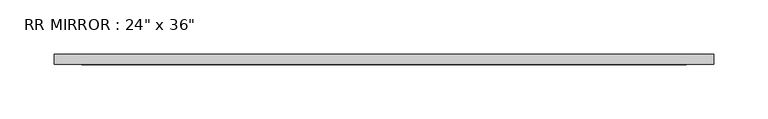
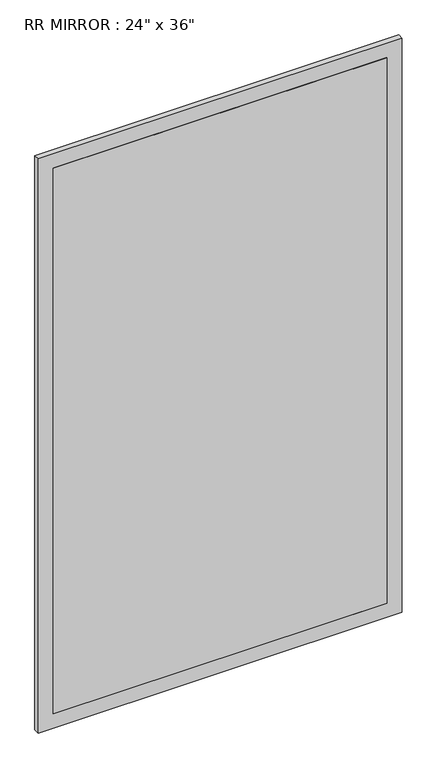
"""IFC4 building model written with IfcOpenShell, lengths in millimetres: proxy geometry."""

from ifc_helpers import new_model, si_unit, frame, origin, place, context, project, spatial, polyline, outline, extrude, source, transform, mapped, element, save


def proxy_43c28b94(model_context):
    return source(origin(), model_context, "Body", "SweptSolid", [
        extrude(outline(polyline([(279.4, 152.4), (-279.4, 152.4), (-279.4, 158.75), (279.4, 158.75), (279.4, 152.4)])), frame((0.0, 0.0, 838.2), z_axis=(0.0, 0.0, 1.0), x_axis=(1.0, 0.0, 0.0)), (0.0, 0.0, 1.0), 965.2),
        extrude(outline(polyline([(1828.8, -304.8), (812.8, -304.8), (812.8, 304.8), (1828.8, 304.8), (1828.8, -304.8)]), holes=[polyline([(1803.4, -279.4), (1803.4, 279.4), (838.2, 279.4), (838.2, -279.4), (1803.4, -279.4)])]), frame((0.0, 152.4, 0.0), z_axis=(0.0, 1.0, 0.0), x_axis=(0.0, 0.0, 1.0)), (0.0, 0.0, 1.0), 9.525),
    ])


if __name__ == "__main__":
    model = new_model("IFC4")
    model_context = context("Model", 3, world=origin())
    ifc_project = project(units=[si_unit("LENGTHUNIT", "METRE", prefix="MILLI")], contexts=[model_context])
    site = spatial("IfcSite", under=ifc_project)
    building = spatial("IfcBuilding", under=site)
    placement = place(None, origin())
    proxy_shape = proxy_43c28b94(model_context)
    element("IfcBuildingElementProxy", 1, Name="RR MIRROR : 24\" x 36\"", ObjectType="RR MIRROR : 24\" x 36\"", at=placement, inside=building, context=model_context, shape_type="MappedRepresentation", body=[
        mapped(proxy_shape, transform((0.0, 0.0, 0.0), x_axis=(1.0, 0.0, 0.0), y_axis=(0.0, 1.0, 0.0), z_axis=(0.0, 0.0, 1.0))),
    ])
    save(model, "model.ifc")
